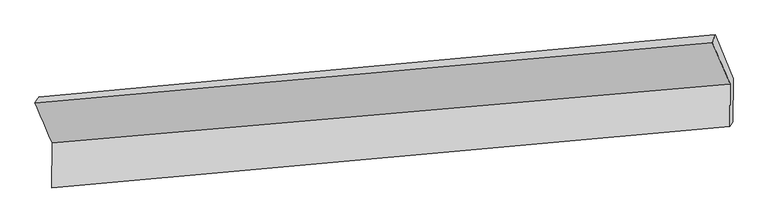
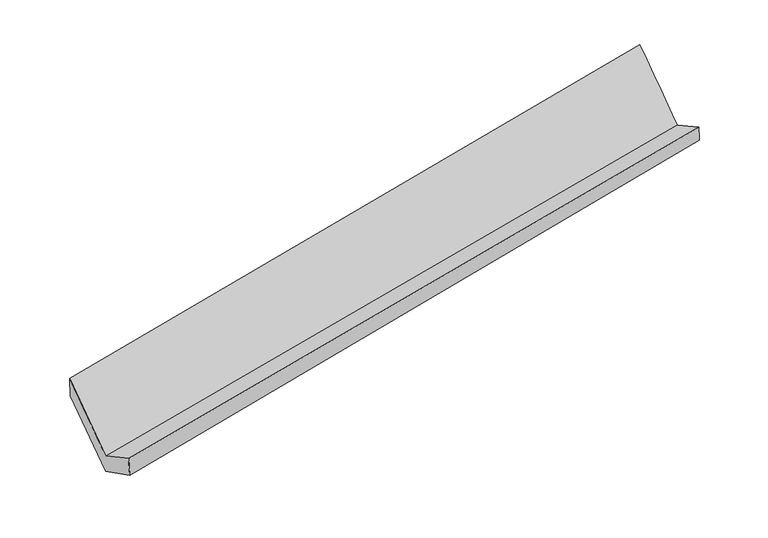
"""IFC4 building model written with IfcOpenShell, lengths in millimetres: proxy geometry."""

from ifc_helpers import new_model, si_unit, frame, origin, place, context, project, spatial, source, transform, mapped, element, save
from ifc_brep_helpers import plane_surface, spline_surface, advanced_brep


def generic_models_7f084541(model_context):
    return source(origin(), model_context, "Body", "AdvancedBrep", [
        advanced_brep(
        [(-5553.0445153, -1438.4840451, 1860.0485396), (-5421.5488722, -1745.4752599, 1294.0396977), (-237.0676786, -1293.2546821, 2224.0052079), (-373.3336239, -976.0524851, 2808.8386032), (-5422.3651602, -2089.1279926, 1480.2400249), (-237.8402927, -1618.5209275, 2400.2432399), (-5391.9574137, -2053.1658707, 1292.8105342), (-214.5313664, -1586.7366351, 2254.712935), (-5394.2927162, -1701.350208, 1119.7502078), (-213.7411253, -1254.0494934, 2074.454061), (-5521.8820473, -1394.6489724, 1664.2767234), (-350.6263505, -917.7766384, 2652.624657)],
        [
            (0, 1),
            (1, 2),
            (2, 3),
            (3, 0),
            (1, 4),
            (4, 5),
            (5, 2),
            (4, 6),
            (6, 7),
            (7, 5),
            (6, 8),
            (8, 9),
            (9, 7),
            (8, 10),
            (10, 11),
            (11, 9),
            (10, 0),
            (3, 11),
        ],
        [
            spline_surface(1, 1, [[(-5553.0445153, -1438.4840451, 1860.0485396), (-373.3336239, -976.0524851, 2808.8386032)], [(-5421.5488722, -1745.4752599, 1294.0396977), (-237.0676786, -1293.2546821, 2224.0052079)]], [2, 2], [2, 2], [0.0, 1.0], [0.0, 1.0]),
            plane_surface(frame((-5421.9570162, -1917.3016262, 1387.1398613), z_axis=(-0.19542043179714466, 0.4675658827464068, 0.8620864226559835), x_axis=(-0.002088462235248714, -0.8792310072282856, 0.4763910938019584))),
            spline_surface(1, 1, [[(-5422.3651602, -2089.1279926, 1480.2400249), (-237.8402927, -1618.5209275, 2400.2432399)], [(-5391.9574137, -2053.1658707, 1292.8105342), (-214.5313664, -1586.7366351, 2254.712935)]], [2, 2], [2, 2], [0.0, 1.0], [0.0, 1.0]),
            spline_surface(1, 1, [[(-5391.9574137, -2053.1658707, 1292.8105342), (-214.5313664, -1586.7366351, 2254.712935)], [(-5394.2927162, -1701.350208, 1119.7502078), (-213.7411253, -1254.0494934, 2074.454061)]], [2, 2], [2, 2], [0.0, 1.0], [0.0, 1.0]),
            spline_surface(1, 1, [[(-5394.2927162, -1701.350208, 1119.7502078), (-213.7411253, -1254.0494934, 2074.454061)], [(-5521.8820473, -1394.6489724, 1664.2767234), (-350.6263505, -917.7766384, 2652.624657)]], [2, 2], [2, 2], [0.0, 1.0], [0.0, 1.0]),
            spline_surface(1, 1, [[(-5521.8820473, -1394.6489724, 1664.2767234), (-350.6263505, -917.7766384, 2652.624657)], [(-5553.0445153, -1438.4840451, 1860.0485396), (-373.3336239, -976.0524851, 2808.8386032)]], [2, 2], [2, 2], [0.0, 1.0], [0.0, 1.0]),
            plane_surface(frame((-271.1900729, -1274.3984769, 2402.479784), z_axis=(0.979661133954905, 0.09378853176903573, 0.17739158358501234), x_axis=(-0.20050160117953517, 0.49255312803905776, 0.846871019685632))),
            plane_surface(frame((-5450.8484541, -1737.0420581, 1451.8609546), z_axis=(-0.9797758588483867, -0.09352108401377887, -0.1768984829296008), x_axis=(0.15349066775280643, 0.21590955492912878, -0.9642736535875608))),
        ],
        [
            (0, [[1, 2, 3, 4]]),
            (1, [[5, 6, 7, -2]]),
            (2, [[8, 9, 10, -6]]),
            (3, [[11, 12, 13, -9]]),
            (4, [[14, 15, 16, -12]]),
            (5, [[17, -4, 18, -15]]),
            (6, [[-16, -18, -3, -7, -10, -13]]),
            (7, [[-17, -14, -11, -8, -5, -1]]),
        ],
    ),
    ])


if __name__ == "__main__":
    model = new_model("IFC4")
    model_context = context("Model", 3, world=origin())
    ifc_project = project(units=[si_unit("LENGTHUNIT", "METRE", prefix="MILLI")], contexts=[model_context])
    site = spatial("IfcSite", under=ifc_project)
    building = spatial("IfcBuilding", under=site)
    placement = place(None, origin())
    generic_models_shape = generic_models_7f084541(model_context)
    element("IfcBuildingElementProxy", 1, Name="Generic Models", at=placement, inside=building, context=model_context, shape_type="MappedRepresentation", body=[
        mapped(generic_models_shape, transform((0.0, 0.0, 0.0), x_axis=(1.0, 0.0, 0.0), y_axis=(0.0, 1.0, 0.0), z_axis=(0.0, 0.0, 1.0))),
    ])
    save(model, "model.ifc")
